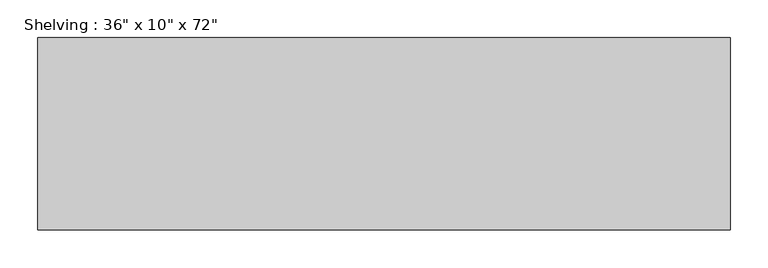
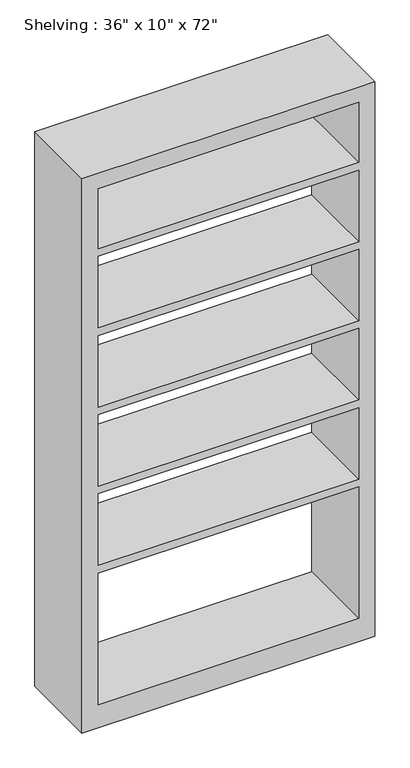
"""IFC4 building model written with IfcOpenShell, lengths in millimetres: furniture geometry."""

from ifc_helpers import new_model, si_unit, frame, origin, place, context, project, spatial, polyline, outline, extrude, source, transform, mapped, element, save


def furniture_7ae4b98b(model_context):
    return source(origin(), model_context, "Body", "SweptSolid", [
        extrude(outline(polyline([(0.0, 457.2), (1828.8, 457.2), (1828.8, -457.2), (0.0, -457.2), (0.0, 457.2)]), holes=[polyline([(1778.0, 406.4), (1580.2428571, 406.4), (1580.2428571, -406.4), (1778.0, -406.4), (1778.0, 406.4)]), polyline([(76.2, 406.4), (76.2, -406.4), (509.8142857, -406.4), (509.8142857, 406.4), (76.2, 406.4)]), polyline([(1057.7285714, -406.4), (1293.5857143, -406.4), (1293.5857143, 406.4), (1057.7285714, 406.4), (1057.7285714, -406.4)]), polyline([(1554.8428571, 406.4), (1318.9857143, 406.4), (1318.9857143, -406.4), (1554.8428571, -406.4), (1554.8428571, 406.4)]), polyline([(1032.3285714, 406.4), (796.4714286, 406.4), (796.4714286, -406.4), (1032.3285714, -406.4), (1032.3285714, 406.4)]), polyline([(771.0714286, 406.4), (535.2142857, 406.4), (535.2142857, -406.4), (771.0714286, -406.4), (771.0714286, 406.4)])]), frame((0.0, 177.8, 0.0), z_axis=(0.0, 1.0, 0.0), x_axis=(0.0, 0.0, 1.0)), (0.0, 0.0, 1.0), 254.0),
    ])


if __name__ == "__main__":
    model = new_model("IFC4")
    model_context = context("Model", 3, world=origin())
    ifc_project = project(units=[si_unit("LENGTHUNIT", "METRE", prefix="MILLI")], contexts=[model_context])
    site = spatial("IfcSite", under=ifc_project)
    building = spatial("IfcBuilding", under=site)
    placement = place(None, origin())
    furniture_shape = furniture_7ae4b98b(model_context)
    element("IfcFurniture", 1, ObjectType="Shelving : 36\" x 10\" x 72\"", at=placement, inside=building, context=model_context, shape_type="MappedRepresentation", body=[
        mapped(furniture_shape, transform((0.0, 0.0, 0.0), x_axis=(1.0, 0.0, 0.0), y_axis=(0.0, 1.0, 0.0), z_axis=(0.0, 0.0, 1.0))),
    ])
    save(model, "model.ifc")
